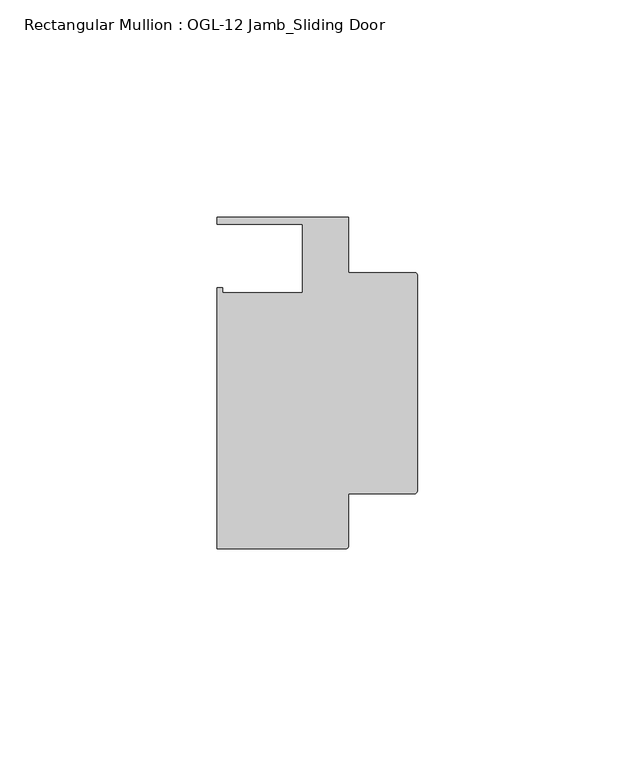
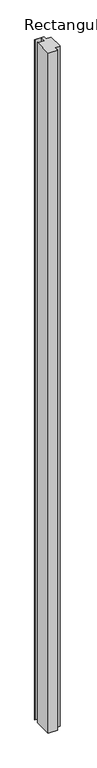
"""IFC4 building model written with IfcOpenShell, lengths in millimetres: member geometry, Rectangular Mullion : OGL-12 Jamb_Sliding Door."""

from ifc_helpers import new_model, si_unit, point, frame, frame_2d, origin, place, context, project, spatial, polyline, circle_curve, trimmed, segment, composite_curve, outline, extrude, source, transform, mapped, element, save


def rectangular_mullion_ogl_12_jamb_sliding_door_97342763(model_context):
    return source(origin(), model_context, "Body", "SweptSolid", [
        extrude(outline(composite_curve([segment(polyline([(-0.5953125, -25.4), (-15.8750672, -25.4), (-15.8750672, -37.5043667)]), True, "CONTINUOUS"), segment(trimmed(circle_curve(frame_2d((-16.4703797, -37.5043667)), 0.5953125), [point((-15.8750672, -37.5043667))], [point((-16.4703797, -38.0996792))], False, "CARTESIAN"), True, "CONTINUOUS"), segment(polyline([(-16.4703797, -38.0996792), (-46.0339598, -38.0996792), (-46.0339598, 21.9710976), (-44.7780305, 21.9710976), (-44.7780305, 20.8257348), (-26.3720794, 20.8257348), (-26.3720794, 36.512516), (-46.0248655, 36.512516), (-46.0248655, 38.100016), (-15.8750672, 38.100016), (-15.8750672, 25.4), (-0.5953125, 25.4)]), True, "CONTINUOUS"), segment(trimmed(circle_curve(frame_2d((-0.5953125, 24.8046875)), 0.5953125), [point((-0.5953125, 25.4))], [point((0.0, 24.8046875))], False, "CARTESIAN"), True, "CONTINUOUS"), segment(polyline([(0.0, 24.8046875), (0.0, -24.8046875)]), True, "CONTINUOUS"), segment(trimmed(circle_curve(frame_2d((-0.5953125, -24.8046875)), 0.5953125), [point((0.0, -24.8046875))], [point((-0.5953125, -25.4))], False, "CARTESIAN"), True, "CONTINUOUS")], self_intersect=False)), frame((0.0, 0.0, -2339.4648576), z_axis=(0.0, 0.0, 1.0), x_axis=(1.0, 0.0, 0.0)), (0.0, 0.0, 1.0), 2339.4648576),
    ])


if __name__ == "__main__":
    model = new_model("IFC4")
    model_context = context("Model", 3, world=origin())
    ifc_project = project(units=[si_unit("LENGTHUNIT", "METRE", prefix="MILLI")], contexts=[model_context])
    site = spatial("IfcSite", under=ifc_project)
    building = spatial("IfcBuilding", under=site)
    placement = place(None, origin())
    rectangular_mullion_ogl_12_jamb_sliding_door_shape = rectangular_mullion_ogl_12_jamb_sliding_door_97342763(model_context)
    element("IfcMember", 1, ObjectType="Rectangular Mullion : OGL-12 Jamb_Sliding Door", at=placement, inside=building, context=model_context, shape_type="MappedRepresentation", body=[
        mapped(rectangular_mullion_ogl_12_jamb_sliding_door_shape, transform((0.0, 0.0, 0.0), x_axis=(1.0, 0.0, 0.0), y_axis=(0.0, 1.0, 0.0), z_axis=(0.0, 0.0, 1.0))),
    ])
    save(model, "model.ifc")
